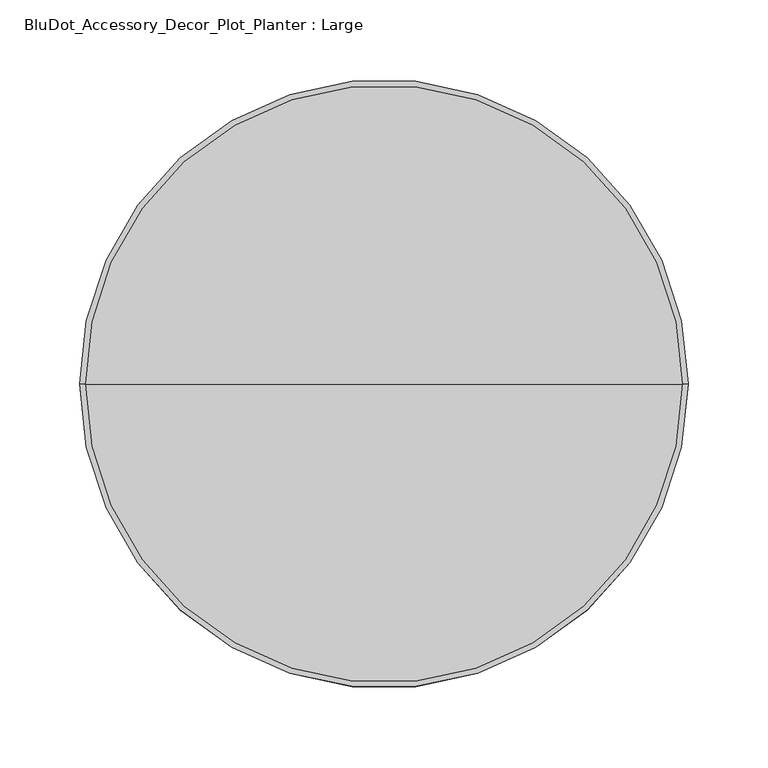
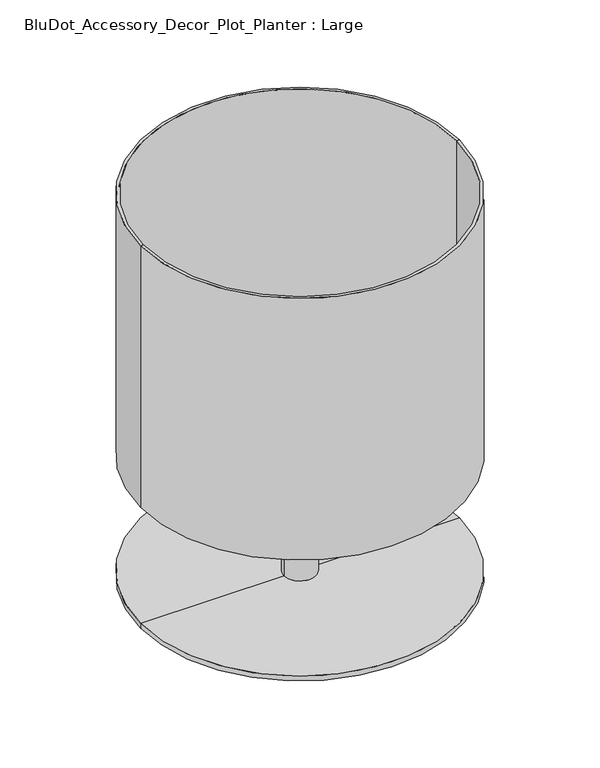
"""IFC4 building model written with IfcOpenShell, lengths in millimetres: furniture geometry, BluDot_Accessory_Decor_Plot_Planter : Large."""

from ifc_helpers import new_model, si_unit, frame, origin, place, context, project, spatial, polyline, circle_curve, source, transform, mapped, element, save
from ifc_brep_helpers import plane_surface, cylinder_surface, revolved_surface, advanced_brep


def bludot_accessory_decor_plot_planter_large_0f1a9f09(model_context):
    return source(origin(), model_context, "Body", "AdvancedBrep", [
        advanced_brep(
        [(187.198, 0.0, 152.4), (-187.198, 0.0, 152.4), (-190.5, 0.0, 152.4), (190.5, 0.0, 152.4), (187.198, 0.0, 176.276), (-187.198, 0.0, 176.276), (19.05, 0.0, 176.276), (-19.05, 0.0, 176.276), (187.198, 0.0, 185.42), (-187.198, 0.0, 185.42), (0.0, 0.0, 185.42), (187.198, 0.0, 482.6), (-187.198, 0.0, 482.6), (190.5, 0.0, 482.6), (-190.5, 0.0, 482.6), (19.05, 0.0, 6.096), (-19.05, 0.0, 6.096), (190.5, 0.0, 6.096), (-190.5, 0.0, 6.096), (190.5, 0.0, 0.0), (-190.5, 0.0, 0.0), (0.0, 0.0, 0.0)],
        [
            (0, 1, circle_curve(frame((0.0, 0.0, 152.4), z_axis=(0.0, 0.0, 1.0), x_axis=(-1.0, 0.0, 0.0)), 187.198)),
            (1, 2),
            (2, 3, circle_curve(frame((0.0, 0.0, 152.4), z_axis=(0.0, 0.0, -1.0), x_axis=(-1.0, 0.0, 0.0)), 190.5)),
            (3, 0),
            (1, 0, circle_curve(frame((0.0, 0.0, 152.4), z_axis=(0.0, 0.0, 1.0), x_axis=(-1.0, 0.0, 0.0)), 187.198)),
            (3, 2, circle_curve(frame((0.0, 0.0, 152.4), z_axis=(0.0, 0.0, -1.0), x_axis=(-1.0, 0.0, 0.0)), 190.5)),
            (4, 5, circle_curve(frame((0.0, 0.0, 176.276), z_axis=(0.0, 0.0, 1.0), x_axis=(-1.0, 0.0, 0.0)), 187.198)),
            (5, 1),
            (0, 4),
            (5, 4, circle_curve(frame((0.0, 0.0, 176.276), z_axis=(0.0, 0.0, 1.0), x_axis=(-1.0, 0.0, 0.0)), 187.198)),
            (6, 7, circle_curve(frame((0.0, 0.0, 176.276), z_axis=(0.0, 0.0, 1.0), x_axis=(-1.0, 0.0, 0.0)), 19.05)),
            (7, 5),
            (4, 6),
            (7, 6, circle_curve(frame((0.0, 0.0, 176.276), z_axis=(0.0, 0.0, 1.0), x_axis=(-1.0, 0.0, 0.0)), 19.05)),
            (8, 9, circle_curve(frame((0.0, 0.0, 185.42), z_axis=(0.0, 0.0, 1.0), x_axis=(-1.0, 0.0, 0.0)), 187.198)),
            (9, 10),
            (10, 8),
            (9, 8, circle_curve(frame((0.0, 0.0, 185.42), z_axis=(0.0, 0.0, 1.0), x_axis=(-1.0, 0.0, 0.0)), 187.198)),
            (11, 12, circle_curve(frame((0.0, 0.0, 482.6), z_axis=(0.0, 0.0, 1.0), x_axis=(-1.0, 0.0, 0.0)), 187.198)),
            (12, 9),
            (8, 11),
            (12, 11, circle_curve(frame((0.0, 0.0, 482.6), z_axis=(0.0, 0.0, 1.0), x_axis=(-1.0, 0.0, 0.0)), 187.198)),
            (13, 14, circle_curve(frame((0.0, 0.0, 482.6), z_axis=(0.0, 0.0, 1.0), x_axis=(-1.0, 0.0, 0.0)), 190.5)),
            (14, 12),
            (11, 13),
            (14, 13, circle_curve(frame((0.0, 0.0, 482.6), z_axis=(0.0, 0.0, 1.0), x_axis=(-1.0, 0.0, 0.0)), 190.5)),
            (2, 14),
            (13, 3),
            (15, 16, circle_curve(frame((0.0, 0.0, 6.096), z_axis=(0.0, 0.0, 1.0), x_axis=(-1.0, 0.0, 0.0)), 19.05)),
            (16, 7),
            (6, 15),
            (16, 15, circle_curve(frame((0.0, 0.0, 6.096), z_axis=(0.0, 0.0, 1.0), x_axis=(-1.0, 0.0, 0.0)), 19.05)),
            (17, 18, circle_curve(frame((0.0, 0.0, 6.096), z_axis=(0.0, 0.0, 1.0), x_axis=(-1.0, 0.0, 0.0)), 190.5)),
            (18, 16),
            (15, 17),
            (18, 17, circle_curve(frame((0.0, 0.0, 6.096), z_axis=(0.0, 0.0, 1.0), x_axis=(-1.0, 0.0, 0.0)), 190.5)),
            (19, 20, circle_curve(frame((0.0, 0.0, 0.0), z_axis=(0.0, 0.0, 1.0), x_axis=(-1.0, 0.0, 0.0)), 190.5)),
            (20, 18),
            (17, 19),
            (20, 19, circle_curve(frame((0.0, 0.0, 0.0), z_axis=(0.0, 0.0, 1.0), x_axis=(-1.0, 0.0, 0.0)), 190.5)),
            (21, 20),
            (19, 21),
        ],
        [
            plane_surface(frame((0.0, 0.0, 152.4), z_axis=(0.0, 0.0, -1.0), x_axis=(-1.0, 0.0, 0.0))),
            revolved_surface(polyline([(-187.198, 0.0, 152.39999999999998), (-187.198, 0.0, 176.276)]), (0.0, 0.0, 577.85), (0.0, 0.0, -1.0)),
            plane_surface(frame((0.0, 0.0, 176.276), z_axis=(0.0, 0.0, -1.0), x_axis=(-1.0, 0.0, 0.0))),
            plane_surface(frame((0.0, 0.0, 185.42), z_axis=(0.0, 0.0, 1.0), x_axis=(-1.0, 0.0, 0.0))),
            revolved_surface(polyline([(-187.198, 0.0, 185.41999999999996), (-187.198, 0.0, 482.6)]), (0.0, 0.0, 577.85), (0.0, 0.0, -1.0)),
            plane_surface(frame((0.0, 0.0, 482.6), z_axis=(0.0, 0.0, 1.0), x_axis=(-1.0, 0.0, 0.0))),
            cylinder_surface(frame((0.0, 0.0, 577.85), z_axis=(0.0, 0.0, -1.0), x_axis=(-1.0, 0.0, 0.0)), 190.5),
            cylinder_surface(frame((0.0, 0.0, 577.85), z_axis=(0.0, 0.0, -1.0), x_axis=(-1.0, 0.0, 0.0)), 19.05),
            plane_surface(frame((0.0, 0.0, 6.096), z_axis=(0.0, 0.0, 1.0), x_axis=(-1.0, 0.0, 0.0))),
            plane_surface(frame((0.0, 0.0, 0.0), z_axis=(0.0, 0.0, -1.0), x_axis=(-1.0, 0.0, 0.0))),
        ],
        [
            (0, [[1, 2, 3, 4]]),
            (0, [[5, -4, 6, -2]]),
            (1, [[7, 8, -1, 9]]),
            (1, [[10, -9, -5, -8]]),
            (2, [[11, 12, -7, 13]]),
            (2, [[14, -13, -10, -12]]),
            (3, [[15, 16, 17]]),
            (3, [[18, -17, -16]]),
            (4, [[19, 20, -15, 21]]),
            (4, [[22, -21, -18, -20]]),
            (5, [[23, 24, -19, 25]]),
            (5, [[26, -25, -22, -24]]),
            (6, [[-3, 27, -23, 28]]),
            (6, [[-6, -28, -26, -27]]),
            (7, [[29, 30, -11, 31]]),
            (7, [[32, -31, -14, -30]]),
            (8, [[33, 34, -29, 35]]),
            (8, [[36, -35, -32, -34]]),
            (6, [[37, 38, -33, 39]]),
            (6, [[40, -39, -36, -38]]),
            (9, [[41, -37, 42]]),
            (9, [[-42, -40, -41]]),
        ],
    ),
    ])


if __name__ == "__main__":
    model = new_model("IFC4")
    model_context = context("Model", 3, world=origin())
    ifc_project = project(units=[si_unit("LENGTHUNIT", "METRE", prefix="MILLI")], contexts=[model_context])
    site = spatial("IfcSite", under=ifc_project)
    building = spatial("IfcBuilding", under=site)
    placement = place(None, origin())
    bludot_accessory_decor_plot_planter_large_shape = bludot_accessory_decor_plot_planter_large_0f1a9f09(model_context)
    element("IfcFurniture", 1, ObjectType="BluDot_Accessory_Decor_Plot_Planter : Large", at=placement, inside=building, context=model_context, shape_type="MappedRepresentation", body=[
        mapped(bludot_accessory_decor_plot_planter_large_shape, transform((0.0, 0.0, 0.0), x_axis=(1.0, 0.0, 0.0), y_axis=(0.0, 1.0, 0.0), z_axis=(0.0, 0.0, 1.0))),
    ])
    save(model, "model.ifc")
